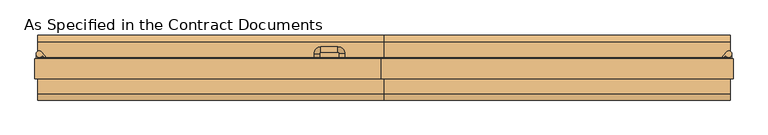
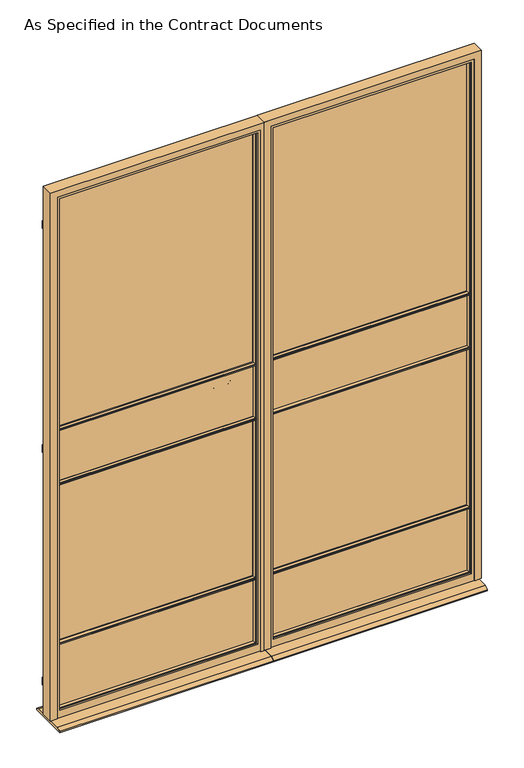
"""IFC4 building model written with IfcOpenShell, lengths in millimetres: door geometry, As Specified in the Contract Documents."""

from ifc_helpers import new_model, si_unit, point, frame, frame_2d, origin, place, context, project, spatial, polyline, circle_curve, ellipse_curve, trimmed, segment, composite_curve, outline, extrude, faceted_brep, source, transform, mapped, element, save
from ifc_brep_helpers import plane_surface, cylinder_surface, revolved_surface, advanced_brep


def as_specified_in_the_contract_documents_73c957d0(model_context):
    return source(origin(), model_context, "Body", "SolidModel", [
        extrude(outline(composite_curve([segment(trimmed(circle_curve(frame_2d((747.5094297, 43.9744777)), 6.35), [point((753.8594297, 43.9744777))], [point((741.1594297, 43.9744777))], False, "CARTESIAN"), True, "CONTINUOUS"), segment(trimmed(circle_curve(frame_2d((747.5094297, 43.9744777)), 6.35), [point((741.1594297, 43.9744777))], [point((753.8594297, 43.9744777))], False, "CARTESIAN"), True, "CONTINUOUS")], self_intersect=False)), frame((0.0, 0.0, 1974.4305689), z_axis=(0.0, 0.0, 1.0), x_axis=(1.0, 0.0, 0.0)), (0.0, 0.0, 1.0), 1.6100561),
        extrude(outline(composite_curve([segment(polyline([(754.917399, 32.5375), (751.742399, 32.5375), (751.742399, 37.8950057)]), True, "CONTINUOUS"), segment(trimmed(circle_curve(frame_2d((747.5094297, 43.9744777)), 7.4079693), [point((751.742399, 37.8950057))], [point((754.917399, 43.9744777))], False, "CARTESIAN"), True, "CONTINUOUS"), segment(polyline([(754.917399, 43.9744777), (754.917399, 32.5375)]), True, "CONTINUOUS")], self_intersect=False)), frame((0.0, 0.0, 1962.9211939), z_axis=(0.0, 0.0, 1.0), x_axis=(1.0, 0.0, 0.0)), (0.0, 0.0, 1.0), 11.509375),
        extrude(outline(composite_curve([segment(polyline([(731.2867368, 35.7125), (741.7523563, 48.6364639)]), True, "CONTINUOUS"), segment(trimmed(circle_curve(frame_2d((747.5094297, 43.9744777)), 7.4079693), [point((741.7523563, 48.6364639))], [point((740.3938591, 41.9137345))], False, "CARTESIAN"), True, "CONTINUOUS"), segment(polyline([(740.3938591, 41.9137345), (735.3721984, 35.7125), (731.2867368, 35.7125)]), True, "CONTINUOUS")], self_intersect=False)), frame((0.0, 0.0, 1976.040625), z_axis=(0.0, 0.0, 1.0), x_axis=(1.0, 0.0, 0.0)), (0.0, 0.0, 1.0), 11.509375),
        extrude(outline(composite_curve([segment(trimmed(circle_curve(frame_2d((747.5094297, 43.9744777)), 6.35), [point((753.8594297, 43.9744777))], [point((741.1594297, 43.9744777))], False, "CARTESIAN"), True, "CONTINUOUS"), segment(trimmed(circle_curve(frame_2d((747.5094297, 43.9744777)), 6.35), [point((741.1594297, 43.9744777))], [point((753.8594297, 43.9744777))], False, "CARTESIAN"), True, "CONTINUOUS")], self_intersect=False)), frame((0.0, 0.0, 1074.7375), z_axis=(0.0, 0.0, 1.0), x_axis=(1.0, 0.0, 0.0)), (0.0, 0.0, 1.0), 1.6100561),
        extrude(outline(composite_curve([segment(polyline([(754.917399, 32.5375), (751.742399, 32.5375), (751.742399, 37.8950057)]), True, "CONTINUOUS"), segment(trimmed(circle_curve(frame_2d((747.5094297, 43.9744777)), 7.4079693), [point((751.742399, 37.8950057))], [point((754.917399, 43.9744777))], False, "CARTESIAN"), True, "CONTINUOUS"), segment(polyline([(754.917399, 43.9744777), (754.917399, 32.5375)]), True, "CONTINUOUS")], self_intersect=False)), frame((0.0, 0.0, 1063.228125), z_axis=(0.0, 0.0, 1.0), x_axis=(1.0, 0.0, 0.0)), (0.0, 0.0, 1.0), 11.509375),
        extrude(outline(composite_curve([segment(polyline([(731.2867368, 35.7125), (741.7523563, 48.6364639)]), True, "CONTINUOUS"), segment(trimmed(circle_curve(frame_2d((747.5094297, 43.9744777)), 7.4079693), [point((741.7523563, 48.6364639))], [point((740.3938591, 41.9137345))], False, "CARTESIAN"), True, "CONTINUOUS"), segment(polyline([(740.3938591, 41.9137345), (735.3721984, 35.7125), (731.2867368, 35.7125)]), True, "CONTINUOUS")], self_intersect=False)), frame((0.0, 0.0, 1076.3475561), z_axis=(0.0, 0.0, 1.0), x_axis=(1.0, 0.0, 0.0)), (0.0, 0.0, 1.0), 11.509375),
        extrude(outline(composite_curve([segment(trimmed(circle_curve(frame_2d((747.5094297, 43.9744777)), 6.35), [point((753.8594297, 43.9744777))], [point((741.1594297, 43.9744777))], False, "CARTESIAN"), True, "CONTINUOUS"), segment(trimmed(circle_curve(frame_2d((747.5094297, 43.9744777)), 6.35), [point((741.1594297, 43.9744777))], [point((753.8594297, 43.9744777))], False, "CARTESIAN"), True, "CONTINUOUS")], self_intersect=False)), frame((0.0, 0.0, 139.2805689), z_axis=(0.0, 0.0, 1.0), x_axis=(1.0, 0.0, 0.0)), (0.0, 0.0, 1.0), 1.6100561),
        extrude(outline(composite_curve([segment(polyline([(754.917399, 32.5375), (751.742399, 32.5375), (751.742399, 37.8950057)]), True, "CONTINUOUS"), segment(trimmed(circle_curve(frame_2d((747.5094297, 43.9744777)), 7.4079693), [point((751.742399, 37.8950057))], [point((754.917399, 43.9744777))], False, "CARTESIAN"), True, "CONTINUOUS"), segment(polyline([(754.917399, 43.9744777), (754.917399, 32.5375)]), True, "CONTINUOUS")], self_intersect=False)), frame((0.0, 0.0, 127.7711939), z_axis=(0.0, 0.0, 1.0), x_axis=(1.0, 0.0, 0.0)), (0.0, 0.0, 1.0), 11.509375),
        extrude(outline(composite_curve([segment(polyline([(731.2867368, 35.7125), (741.7523563, 48.6364639)]), True, "CONTINUOUS"), segment(trimmed(circle_curve(frame_2d((747.5094297, 43.9744777)), 7.4079693), [point((741.7523563, 48.6364639))], [point((740.3938591, 41.9137345))], False, "CARTESIAN"), True, "CONTINUOUS"), segment(polyline([(740.3938591, 41.9137345), (735.3721984, 35.7125), (731.2867368, 35.7125)]), True, "CONTINUOUS")], self_intersect=False)), frame((0.0, 0.0, 140.890625), z_axis=(0.0, 0.0, 1.0), x_axis=(1.0, 0.0, 0.0)), (0.0, 0.0, 1.0), 11.509375),
        extrude(outline(polyline([(-1.920998, 946.5510581), (-1.920998, 948.2061382), (-4.6254064, 948.2061382), (-4.6254064, 952.0313618), (-1.920998, 952.0313618), (-1.920998, 953.6864419), (6.1287049, 957.2625), (19.2587951, 957.2625), (27.308498, 953.6864419), (27.308498, 952.0313618), (30.0129064, 952.0313618), (30.0129064, 948.2061382), (27.308498, 948.2061382), (27.308498, 946.5510581), (19.2587951, 942.975), (6.1287049, 942.975), (-1.920998, 946.5510581)])), frame((-31.3577578, 0.0, 0.0), z_axis=(1.0, 0.0, 0.0), x_axis=(0.0, 1.0, 0.0)), (0.0, 0.0, 1.0), 752.475),
        extrude(outline(polyline([(-1.920998, 1164.0385581), (-1.920998, 1165.6936382), (-4.6254064, 1165.6936382), (-4.6254064, 1169.5188618), (-1.920998, 1169.5188618), (-1.920998, 1171.1739419), (6.1287049, 1174.75), (19.2587951, 1174.75), (27.308498, 1171.1739419), (27.308498, 1169.5188618), (30.0129064, 1169.5188618), (30.0129064, 1165.6936382), (27.308498, 1165.6936382), (27.308498, 1164.0385581), (19.2587951, 1160.4625), (6.1287049, 1160.4625), (-1.920998, 1164.0385581)])), frame((-31.3577578, 0.0, 0.0), z_axis=(1.0, 0.0, 0.0), x_axis=(0.0, 1.0, 0.0)), (0.0, 0.0, 1.0), 752.475),
        extrude(outline(polyline([(-1.920998, 304.6057456), (-1.920998, 306.2608257), (-4.6254064, 306.2608257), (-4.6254064, 310.0860493), (-1.920998, 310.0860493), (-1.920998, 311.7411294), (6.1287049, 315.3171875), (19.2587951, 315.3171875), (27.308498, 311.7411294), (27.308498, 310.0860493), (30.0129064, 310.0860493), (30.0129064, 306.2608257), (27.308498, 306.2608257), (27.308498, 304.6057456), (19.2587951, 301.0296875), (6.1287049, 301.0296875), (-1.920998, 304.6057456)])), frame((-31.3577578, 0.0, 0.0), z_axis=(1.0, 0.0, 0.0), x_axis=(0.0, 1.0, 0.0)), (0.0, 0.0, 1.0), 752.475),
        faceted_brep([(751.2797422, 32.5375, 17.4625), (757.6297422, 32.5375, 17.4625), (757.6297422, -13.5, 17.4625), (732.2297422, -13.5, 17.4625), (732.2297422, -10.325, 17.4625), (751.2797422, -10.325, 17.4625), (751.2797422, 32.5375, 2133.6), (-61.5202578, 32.5375, 2133.6), (-61.5202578, 32.5375, 17.4625), (-67.8702578, 32.5375, 17.4625), (-67.8702578, 32.5375, 2139.95), (757.6297422, 32.5375, 2139.95), (757.6297422, -13.5, 2139.95), (-67.8702578, -13.5, 2139.95), (-67.8702578, -13.5, 17.4625), (-42.4702578, -13.5, 17.4625), (-42.4702578, -13.5, 2114.55), (732.2297422, -13.5, 2114.55), (732.2297422, -10.325, 2114.55), (-42.4702578, -10.325, 2114.55), (-42.4702578, -10.325, 17.4625), (-61.5202578, -10.325, 17.4625), (-61.5202578, -10.325, 2133.6), (751.2797422, -10.325, 2133.6)], [[[0, 1, 2, 3, 4, 5]], [[1, 0, 6, 7, 8, 9, 10, 11]], [[2, 1, 11, 12]], [[3, 2, 12, 13, 14, 15, 16, 17]], [[4, 3, 17, 18]], [[5, 4, 18, 19, 20, 21, 22, 23]], [[0, 5, 23, 6]], [[12, 11, 10, 13]], [[18, 17, 16, 19]], [[6, 23, 22, 7]], [[8, 21, 20, 15, 14, 9]], [[13, 10, 9, 14]], [[19, 16, 15, 20]], [[7, 22, 21, 8]]]),
        extrude(outline(polyline([(721.1172422, 6.34375), (-31.3577578, 6.34375), (-31.3577578, 19.04375), (721.1172422, 19.04375), (721.1172422, 6.34375)])), frame((0.0, 0.0, 47.625), z_axis=(0.0, 0.0, 1.0), x_axis=(1.0, 0.0, 0.0)), (0.0, 0.0, 1.0), 252.4125),
        extrude(outline(polyline([(721.1172422, 6.34375), (-31.3577578, 6.34375), (-31.3577578, 19.04375), (721.1172422, 19.04375), (721.1172422, 6.34375)])), frame((0.0, 0.0, 957.2625), z_axis=(0.0, 0.0, 1.0), x_axis=(1.0, 0.0, 0.0)), (0.0, 0.0, 1.0), 203.2),
        extrude(outline(polyline([(88.89375, 4.826), (88.89375, 0.0), (-63.50625, 0.0), (-63.50625, 4.826), (-48.238334, 12.7), (73.625834, 12.7), (88.89375, 4.826)])), frame((-61.5202578, 0.0, 0.0), z_axis=(1.0, 0.0, 0.0), x_axis=(0.0, 1.0, 0.0)), (0.0, 0.0, 1.0), 812.8),
        extrude(outline(polyline([(751.2797422, 9.51875), (-61.5202578, 9.51875), (-61.5202578, 15.86875), (751.2797422, 15.86875), (751.2797422, 9.51875)])), frame((0.0, 0.0, 17.4625), z_axis=(0.0, 0.0, 1.0), x_axis=(1.0, 0.0, 0.0)), (0.0, 0.0, 1.0), 2116.1375),
        extrude(outline(polyline([(2133.6, -61.5202578), (17.4625, -61.5202578), (17.4625, 751.2797422), (2133.6, 751.2797422), (2133.6, -61.5202578)]), holes=[polyline([(2103.4375, -31.3577578), (2103.4375, 721.1172422), (47.625, 721.1172422), (47.625, -31.3577578), (2103.4375, -31.3577578)])]), frame((0.0, -10.325, 0.0), z_axis=(0.0, 1.0, 0.0), x_axis=(0.0, 0.0, 1.0)), (0.0, 0.0, 1.0), 46.0375),
        faceted_brep([(-29.445146, -1.920998, 2101.5248882), (-29.445146, -4.6254064, 2101.5248882), (-29.445146, -4.6254064, 49.5376118), (-29.445146, -1.920998, 49.5376118), (-24.2140078, 6.1287049, 2096.29375), (-27.7900659, -1.920998, 2099.8698081), (-27.7900659, -1.920998, 51.1926919), (-24.2140078, 6.1287049, 54.76875), (-24.2140078, 19.2587951, 2096.29375), (-24.2140078, 19.2587951, 54.76875), (-27.7900659, 27.308498, 2099.8698081), (-27.7900659, 27.308498, 51.1926919), (-29.445146, 30.0129064, 2101.5248882), (-29.445146, 27.308498, 2101.5248882), (-29.445146, 27.308498, 49.5376118), (-29.445146, 30.0129064, 49.5376118), (-31.3577578, -4.6254064, 2103.4375), (-31.3577578, 30.0129064, 2103.4375), (-31.3577578, 30.0129064, 47.625), (-31.3577578, -4.6254064, 47.625), (719.2046305, -4.6254064, 49.5376118), (719.2046305, -1.920998, 49.5376118), (717.5495504, -1.920998, 51.1926919), (713.9734922, 6.1287049, 54.76875), (713.9734922, 19.2587951, 54.76875), (717.5495504, 27.308498, 51.1926919), (719.2046305, 27.308498, 49.5376118), (719.2046305, 30.0129064, 49.5376118), (721.1172422, 30.0129064, 47.625), (721.1172422, -4.6254064, 47.625), (719.2046305, -4.6254064, 2101.5248882), (719.2046305, -1.920998, 2101.5248882), (717.5495504, -1.920998, 2099.8698081), (713.9734922, 6.1287049, 2096.29375), (713.9734922, 19.2587951, 2096.29375), (717.5495504, 27.308498, 2099.8698081), (719.2046305, 27.308498, 2101.5248882), (719.2046305, 30.0129064, 2101.5248882), (721.1172422, 30.0129064, 2103.4375), (721.1172422, -4.6254064, 2103.4375)], [[[0, 1, 2, 3]], [[4, 5, 6, 7]], [[8, 4, 7, 9]], [[10, 8, 9, 11]], [[12, 13, 14, 15]], [[16, 17, 18, 19]], [[3, 2, 20, 21]], [[7, 6, 22, 23]], [[9, 7, 23, 24]], [[11, 9, 24, 25]], [[15, 14, 26, 27]], [[19, 18, 28, 29]], [[21, 20, 30, 31]], [[23, 22, 32, 33]], [[24, 23, 33, 34]], [[25, 24, 34, 35]], [[27, 26, 36, 37]], [[29, 28, 38, 39]], [[31, 30, 1, 0]], [[3, 21, 31, 0], [5, 32, 22, 6]], [[33, 32, 5, 4]], [[34, 33, 4, 8]], [[35, 34, 8, 10]], [[13, 36, 26, 14], [11, 25, 35, 10]], [[37, 36, 13, 12]], [[17, 38, 28, 18], [15, 27, 37, 12]], [[39, 38, 17, 16]], [[19, 29, 39, 16], [1, 30, 20, 2]]]),
        extrude(outline(composite_curve([segment(trimmed(circle_curve(frame_2d((-870.5499453, 43.9744777)), 6.35), [point((-876.8999453, 43.9744777))], [point((-864.1999453, 43.9744777))], False, "CARTESIAN"), True, "CONTINUOUS"), segment(trimmed(circle_curve(frame_2d((-870.5499453, 43.9744777)), 6.35), [point((-864.1999453, 43.9744777))], [point((-876.8999453, 43.9744777))], False, "CARTESIAN"), True, "CONTINUOUS")], self_intersect=False)), frame((0.0, 0.0, 1974.4305689), z_axis=(0.0, 0.0, 1.0), x_axis=(1.0, 0.0, 0.0)), (0.0, 0.0, 1.0), 1.6100561),
        extrude(outline(composite_curve([segment(polyline([(-877.9579145, 32.5375), (-877.9579145, 43.9744777)]), True, "CONTINUOUS"), segment(trimmed(circle_curve(frame_2d((-870.5499453, 43.9744777)), 7.4079693), [point((-877.9579145, 43.9744777))], [point((-874.7829145, 37.8950057))], False, "CARTESIAN"), True, "CONTINUOUS"), segment(polyline([(-874.7829145, 37.8950057), (-874.7829145, 32.5375), (-877.9579145, 32.5375)]), True, "CONTINUOUS")], self_intersect=False)), frame((0.0, 0.0, 1962.9211939), z_axis=(0.0, 0.0, 1.0), x_axis=(1.0, 0.0, 0.0)), (0.0, 0.0, 1.0), 11.509375),
        extrude(outline(composite_curve([segment(polyline([(-854.3272523, 35.7125), (-858.4127139, 35.7125), (-863.4343746, 41.9137345)]), True, "CONTINUOUS"), segment(trimmed(circle_curve(frame_2d((-870.5499453, 43.9744777)), 7.4079693), [point((-863.4343746, 41.9137345))], [point((-864.7928719, 48.6364639))], False, "CARTESIAN"), True, "CONTINUOUS"), segment(polyline([(-864.7928719, 48.6364639), (-854.3272523, 35.7125)]), True, "CONTINUOUS")], self_intersect=False)), frame((0.0, 0.0, 1976.040625), z_axis=(0.0, 0.0, 1.0), x_axis=(1.0, 0.0, 0.0)), (0.0, 0.0, 1.0), 11.509375),
        extrude(outline(composite_curve([segment(trimmed(circle_curve(frame_2d((-870.5499453, 43.9744777)), 6.35), [point((-876.8999453, 43.9744777))], [point((-864.1999453, 43.9744777))], False, "CARTESIAN"), True, "CONTINUOUS"), segment(trimmed(circle_curve(frame_2d((-870.5499453, 43.9744777)), 6.35), [point((-864.1999453, 43.9744777))], [point((-876.8999453, 43.9744777))], False, "CARTESIAN"), True, "CONTINUOUS")], self_intersect=False)), frame((0.0, 0.0, 1074.7375), z_axis=(0.0, 0.0, 1.0), x_axis=(1.0, 0.0, 0.0)), (0.0, 0.0, 1.0), 1.6100561),
        extrude(outline(composite_curve([segment(polyline([(-877.9579145, 32.5375), (-877.9579145, 43.9744777)]), True, "CONTINUOUS"), segment(trimmed(circle_curve(frame_2d((-870.5499453, 43.9744777)), 7.4079693), [point((-877.9579145, 43.9744777))], [point((-874.7829145, 37.8950057))], False, "CARTESIAN"), True, "CONTINUOUS"), segment(polyline([(-874.7829145, 37.8950057), (-874.7829145, 32.5375), (-877.9579145, 32.5375)]), True, "CONTINUOUS")], self_intersect=False)), frame((0.0, 0.0, 1063.228125), z_axis=(0.0, 0.0, 1.0), x_axis=(1.0, 0.0, 0.0)), (0.0, 0.0, 1.0), 11.509375),
        extrude(outline(composite_curve([segment(polyline([(-854.3272523, 35.7125), (-858.4127139, 35.7125), (-863.4343746, 41.9137345)]), True, "CONTINUOUS"), segment(trimmed(circle_curve(frame_2d((-870.5499453, 43.9744777)), 7.4079693), [point((-863.4343746, 41.9137345))], [point((-864.7928719, 48.6364639))], False, "CARTESIAN"), True, "CONTINUOUS"), segment(polyline([(-864.7928719, 48.6364639), (-854.3272523, 35.7125)]), True, "CONTINUOUS")], self_intersect=False)), frame((0.0, 0.0, 1076.3475561), z_axis=(0.0, 0.0, 1.0), x_axis=(1.0, 0.0, 0.0)), (0.0, 0.0, 1.0), 11.509375),
        extrude(outline(composite_curve([segment(trimmed(circle_curve(frame_2d((-870.5499453, 43.9744777)), 6.35), [point((-876.8999453, 43.9744777))], [point((-864.1999453, 43.9744777))], False, "CARTESIAN"), True, "CONTINUOUS"), segment(trimmed(circle_curve(frame_2d((-870.5499453, 43.9744777)), 6.35), [point((-864.1999453, 43.9744777))], [point((-876.8999453, 43.9744777))], False, "CARTESIAN"), True, "CONTINUOUS")], self_intersect=False)), frame((0.0, 0.0, 139.2805689), z_axis=(0.0, 0.0, 1.0), x_axis=(1.0, 0.0, 0.0)), (0.0, 0.0, 1.0), 1.6100561),
        extrude(outline(composite_curve([segment(polyline([(-877.9579145, 32.5375), (-877.9579145, 43.9744777)]), True, "CONTINUOUS"), segment(trimmed(circle_curve(frame_2d((-870.5499453, 43.9744777)), 7.4079693), [point((-877.9579145, 43.9744777))], [point((-874.7829145, 37.8950057))], False, "CARTESIAN"), True, "CONTINUOUS"), segment(polyline([(-874.7829145, 37.8950057), (-874.7829145, 32.5375), (-877.9579145, 32.5375)]), True, "CONTINUOUS")], self_intersect=False)), frame((0.0, 0.0, 127.7711939), z_axis=(0.0, 0.0, 1.0), x_axis=(1.0, 0.0, 0.0)), (0.0, 0.0, 1.0), 11.509375),
        extrude(outline(composite_curve([segment(polyline([(-854.3272523, 35.7125), (-858.4127139, 35.7125), (-863.4343746, 41.9137345)]), True, "CONTINUOUS"), segment(trimmed(circle_curve(frame_2d((-870.5499453, 43.9744777)), 7.4079693), [point((-863.4343746, 41.9137345))], [point((-864.7928719, 48.6364639))], False, "CARTESIAN"), True, "CONTINUOUS"), segment(polyline([(-864.7928719, 48.6364639), (-854.3272523, 35.7125)]), True, "CONTINUOUS")], self_intersect=False)), frame((0.0, 0.0, 140.890625), z_axis=(0.0, 0.0, 1.0), x_axis=(1.0, 0.0, 0.0)), (0.0, 0.0, 1.0), 11.509375),
        advanced_brep(
        [(-153.8492578, 25.39375, 1089.025), (-166.0412578, 25.39375, 1089.025), (-166.0412578, 45.1961051, 1089.025), (-153.8492578, 45.1961051, 1089.025), (-169.4702578, 48.6251051, 1089.025), (-169.4702578, 60.8171051, 1089.025), (-209.4270616, 48.6251051, 1089.025), (-209.4270616, 60.8171051, 1089.025), (-212.8560616, 45.1961051, 1089.025), (-225.0480616, 45.1961051, 1089.025), (-225.0480616, 29.4584167, 1089.025), (-212.8560616, 29.4584167, 1089.025)],
        [
            (0, 1, circle_curve(frame((-159.9452578, 25.39375, 1089.025), z_axis=(0.0, -1.0, 0.0), x_axis=(-1.0, 0.0, 0.0)), 6.096)),
            (1, 0, circle_curve(frame((-159.9452578, 25.39375, 1089.025), z_axis=(0.0, -1.0, 0.0), x_axis=(-1.0, 0.0, 0.0)), 6.096)),
            (1, 2),
            (2, 3, circle_curve(frame((-159.9452578, 45.1961051, 1089.025), z_axis=(0.0, -1.0, 0.0), x_axis=(-1.0, 0.0, 0.0)), 6.096)),
            (3, 0),
            (3, 2, circle_curve(frame((-159.9452578, 45.1961051, 1089.025), z_axis=(0.0, -1.0, 0.0), x_axis=(-1.0, 0.0, 0.0)), 6.096)),
            (4, 5, circle_curve(frame((-169.4702578, 54.7211051, 1089.025), z_axis=(1.0, 0.0, 0.0), x_axis=(0.0, -1.0, 0.0)), 6.096)),
            (5, 3, circle_curve(frame((-169.4702578, 45.1961051, 1089.025), z_axis=(0.0, 0.0, -1.0), x_axis=(1.0, 0.0, 0.0)), 15.621)),
            (2, 4, circle_curve(frame((-169.4702578, 45.1961051, 1089.025), z_axis=(0.0, 0.0, 1.0), x_axis=(1.0, 0.0, 0.0)), 3.429)),
            (5, 4, circle_curve(frame((-169.4702578, 54.7211051, 1089.025), z_axis=(1.0, 0.0, 0.0), x_axis=(0.0, -1.0, 0.0)), 6.096)),
            (4, 6),
            (6, 7, circle_curve(frame((-209.4270616, 54.7211051, 1089.025), z_axis=(1.0, 0.0, 0.0), x_axis=(0.0, -1.0, 0.0)), 6.096)),
            (7, 5),
            (7, 6, circle_curve(frame((-209.4270616, 54.7211051, 1089.025), z_axis=(1.0, 0.0, 0.0), x_axis=(0.0, -1.0, 0.0)), 6.096)),
            (8, 9, circle_curve(frame((-218.9520616, 45.1961051, 1089.025), z_axis=(0.0, 1.0, 0.0), x_axis=(1.0, 0.0, 0.0)), 6.096)),
            (9, 7, circle_curve(frame((-209.4270616, 45.1961051, 1089.025), z_axis=(0.0, 0.0, -1.0), x_axis=(0.0, 1.0, 0.0)), 15.621)),
            (6, 8, circle_curve(frame((-209.4270616, 45.1961051, 1089.025), z_axis=(0.0, 0.0, 1.0), x_axis=(0.0, 1.0, 0.0)), 3.429)),
            (9, 8, circle_curve(frame((-218.9520616, 45.1961051, 1089.025), z_axis=(0.0, 1.0, 0.0), x_axis=(1.0, 0.0, 0.0)), 6.096)),
            (10, 11, circle_curve(frame((-218.9520616, 29.4584167, 1089.025), z_axis=(0.0, -1.0, 0.0), x_axis=(1.0, 0.0, 0.0)), 6.096)),
            (11, 10, circle_curve(frame((-218.9520616, 29.4584167, 1089.025), z_axis=(0.0, -1.0, 0.0), x_axis=(1.0, 0.0, 0.0)), 6.096)),
            (8, 11),
            (10, 9),
        ],
        [
            plane_surface(frame((-159.9452578, 25.39375, 1089.025), z_axis=(0.0, -1.0, 0.0), x_axis=(0.0, 0.0, -1.0))),
            cylinder_surface(frame((-159.9452578, 25.39375, 1089.025), z_axis=(0.0, -1.0, 0.0), x_axis=(-1.0, 0.0, 0.0)), 6.096),
            revolved_surface(trimmed(ellipse_curve(frame((-159.9452578, 45.1961051, 1089.025), z_axis=(0.0, 1.0, 0.0), x_axis=(-1.0, 0.0, 0.0)), 6.096, 6.096), [point((-153.8492578, 45.1961051, 1089.025))], [point((-166.0412578, 45.1961051, 1089.025))], True, "CARTESIAN"), (-169.4702578, 45.1961051, 1089.025), (0.0, 0.0, -1.0)),
            revolved_surface(trimmed(ellipse_curve(frame((-159.9452578, 45.1961051, 1089.025), z_axis=(0.0, 1.0, 0.0), x_axis=(-1.0, 0.0, 0.0)), 6.096, 6.096), [point((-166.0412578, 45.1961051, 1089.025))], [point((-153.8492578, 45.1961051, 1089.025))], True, "CARTESIAN"), (-169.4702578, 45.1961051, 1089.025), (0.0, 0.0, -1.0)),
            cylinder_surface(frame((-169.4702578, 54.7211051, 1089.025), z_axis=(1.0, 0.0, 0.0), x_axis=(0.0, -1.0, 0.0)), 6.096),
            revolved_surface(trimmed(ellipse_curve(frame((-209.4270616, 54.7211051, 1089.025), z_axis=(-1.0, 0.0, 0.0), x_axis=(0.0, -1.0, 0.0)), 6.096, 6.096), [point((-209.4270616, 60.8171051, 1089.025))], [point((-209.4270616, 48.6251051, 1089.025))], True, "CARTESIAN"), (-209.4270616, 45.1961051, 1089.025), (0.0, 0.0, -1.0)),
            revolved_surface(trimmed(ellipse_curve(frame((-209.4270616, 54.7211051, 1089.025), z_axis=(-1.0, 0.0, 0.0), x_axis=(0.0, -1.0, 0.0)), 6.096, 6.096), [point((-209.4270616, 48.6251051, 1089.025))], [point((-209.4270616, 60.8171051, 1089.025))], True, "CARTESIAN"), (-209.4270616, 45.1961051, 1089.025), (0.0, 0.0, -1.0)),
            plane_surface(frame((-218.9520616, 29.4584167, 1089.025), z_axis=(0.0, -1.0, 0.0), x_axis=(0.0, 0.0, -1.0))),
            cylinder_surface(frame((-218.9520616, 45.1961051, 1089.025), z_axis=(0.0, 1.0, 0.0), x_axis=(1.0, 0.0, 0.0)), 6.096),
        ],
        [
            (0, [[1, 2]]),
            (1, [[3, 4, 5, -2]]),
            (1, [[-5, 6, -3, -1]]),
            (2, [[7, 8, -4, 9]]),
            (3, [[10, -9, -6, -8]]),
            (4, [[11, 12, 13, -7]]),
            (4, [[-13, 14, -11, -10]]),
            (5, [[15, 16, -12, 17]]),
            (6, [[18, -17, -14, -16]]),
            (7, [[19, 20]]),
            (8, [[21, -19, 22, -15]]),
            (8, [[-22, -20, -21, -18]]),
        ],
    ),
        extrude(outline(composite_curve([segment(trimmed(circle_curve(frame_2d((1089.025, -159.9452578)), 25.4), [point((1089.025, -185.3452578))], [point((1089.025, -134.5452578))], False, "CARTESIAN"), True, "CONTINUOUS"), segment(trimmed(circle_curve(frame_2d((1089.025, -159.9452578)), 25.4), [point((1089.025, -134.5452578))], [point((1089.025, -185.3452578))], False, "CARTESIAN"), True, "CONTINUOUS")], self_intersect=False)), frame((0.0, 19.04375, 0.0), z_axis=(0.0, 1.0, 0.0), x_axis=(0.0, 0.0, 1.0)), (0.0, 0.0, 1.0), 6.35),
        extrude(outline(composite_curve([segment(trimmed(circle_curve(frame_2d((1021.6417023, -159.9452578)), 19.05), [point((1021.6417023, -178.9952578))], [point((1021.6417023, -140.8952578))], False, "CARTESIAN"), True, "CONTINUOUS"), segment(trimmed(circle_curve(frame_2d((1021.6417023, -159.9452578)), 19.05), [point((1021.6417023, -140.8952578))], [point((1021.6417023, -178.9952578))], False, "CARTESIAN"), True, "CONTINUOUS")], self_intersect=False)), frame((0.0, 19.04375, 0.0), z_axis=(0.0, 1.0, 0.0), x_axis=(0.0, 0.0, 1.0)), (0.0, 0.0, 1.0), 6.35),
        extrude(outline(polyline([(-1.920998, 946.5510581), (-1.920998, 948.2061382), (-4.6254064, 948.2061382), (-4.6254064, 952.0313618), (-1.920998, 952.0313618), (-1.920998, 953.6864419), (6.1287049, 957.2625), (19.2587951, 957.2625), (27.308498, 953.6864419), (27.308498, 952.0313618), (30.0129064, 952.0313618), (30.0129064, 948.2061382), (27.308498, 948.2061382), (27.308498, 946.5510581), (19.2587951, 942.975), (6.1287049, 942.975), (-1.920998, 946.5510581)])), frame((-844.1577578, 0.0, 0.0), z_axis=(1.0, 0.0, 0.0), x_axis=(0.0, 1.0, 0.0)), (0.0, 0.0, 1.0), 752.475),
        extrude(outline(polyline([(-1.920998, 1164.0385581), (-1.920998, 1165.6936382), (-4.6254064, 1165.6936382), (-4.6254064, 1169.5188618), (-1.920998, 1169.5188618), (-1.920998, 1171.1739419), (6.1287049, 1174.75), (19.2587951, 1174.75), (27.308498, 1171.1739419), (27.308498, 1169.5188618), (30.0129064, 1169.5188618), (30.0129064, 1165.6936382), (27.308498, 1165.6936382), (27.308498, 1164.0385581), (19.2587951, 1160.4625), (6.1287049, 1160.4625), (-1.920998, 1164.0385581)])), frame((-844.1577578, 0.0, 0.0), z_axis=(1.0, 0.0, 0.0), x_axis=(0.0, 1.0, 0.0)), (0.0, 0.0, 1.0), 752.475),
        extrude(outline(polyline([(-1.920998, 304.6057456), (-1.920998, 306.2608257), (-4.6254064, 306.2608257), (-4.6254064, 310.0860493), (-1.920998, 310.0860493), (-1.920998, 311.7411294), (6.1287049, 315.3171875), (19.2587951, 315.3171875), (27.308498, 311.7411294), (27.308498, 310.0860493), (30.0129064, 310.0860493), (30.0129064, 306.2608257), (27.308498, 306.2608257), (27.308498, 304.6057456), (19.2587951, 301.0296875), (6.1287049, 301.0296875), (-1.920998, 304.6057456)])), frame((-844.1577578, 0.0, 0.0), z_axis=(1.0, 0.0, 0.0), x_axis=(0.0, 1.0, 0.0)), (0.0, 0.0, 1.0), 752.475),
        faceted_brep([(-874.3202578, 32.5375, 17.4625), (-874.3202578, -10.325, 17.4625), (-855.2702578, -10.325, 17.4625), (-855.2702578, -13.5, 17.4625), (-880.6702578, -13.5, 17.4625), (-880.6702578, 32.5375, 17.4625), (-880.6702578, 32.5375, 2139.95), (-55.1702578, 32.5375, 2139.95), (-55.1702578, 32.5375, 17.4625), (-61.5202578, 32.5375, 17.4625), (-61.5202578, 32.5375, 2133.6), (-874.3202578, 32.5375, 2133.6), (-880.6702578, -13.5, 2139.95), (-855.2702578, -13.5, 2114.55), (-80.5702578, -13.5, 2114.55), (-80.5702578, -13.5, 17.4625), (-55.1702578, -13.5, 17.4625), (-55.1702578, -13.5, 2139.95), (-855.2702578, -10.325, 2114.55), (-874.3202578, -10.325, 2133.6), (-61.5202578, -10.325, 2133.6), (-61.5202578, -10.325, 17.4625), (-80.5702578, -10.325, 17.4625), (-80.5702578, -10.325, 2114.55)], [[[0, 1, 2, 3, 4, 5]], [[5, 6, 7, 8, 9, 10, 11, 0]], [[4, 12, 6, 5]], [[3, 13, 14, 15, 16, 17, 12, 4]], [[2, 18, 13, 3]], [[1, 19, 20, 21, 22, 23, 18, 2]], [[0, 11, 19, 1]], [[12, 17, 7, 6]], [[18, 23, 14, 13]], [[11, 10, 20, 19]], [[9, 8, 16, 15, 22, 21]], [[17, 16, 8, 7]], [[23, 22, 15, 14]], [[10, 9, 21, 20]]]),
        extrude(outline(polyline([(-844.1577578, 6.34375), (-844.1577578, 19.04375), (-91.6827578, 19.04375), (-91.6827578, 6.34375), (-844.1577578, 6.34375)])), frame((0.0, 0.0, 47.625), z_axis=(0.0, 0.0, 1.0), x_axis=(1.0, 0.0, 0.0)), (0.0, 0.0, 1.0), 252.4125),
        extrude(outline(polyline([(-844.1577578, 6.34375), (-844.1577578, 19.04375), (-91.6827578, 19.04375), (-91.6827578, 6.34375), (-844.1577578, 6.34375)])), frame((0.0, 0.0, 957.2625), z_axis=(0.0, 0.0, 1.0), x_axis=(1.0, 0.0, 0.0)), (0.0, 0.0, 1.0), 203.2),
        extrude(outline(polyline([(88.89375, 4.826), (88.89375, 0.0), (-63.50625, 0.0), (-63.50625, 4.826), (-48.238334, 12.7), (73.625834, 12.7), (88.89375, 4.826)])), frame((-874.3202578, 0.0, 0.0), z_axis=(1.0, 0.0, 0.0), x_axis=(0.0, 1.0, 0.0)), (0.0, 0.0, 1.0), 812.8),
        extrude(outline(polyline([(-874.3202578, 9.51875), (-874.3202578, 15.86875), (-61.5202578, 15.86875), (-61.5202578, 9.51875), (-874.3202578, 9.51875)])), frame((0.0, 0.0, 17.4625), z_axis=(0.0, 0.0, 1.0), x_axis=(1.0, 0.0, 0.0)), (0.0, 0.0, 1.0), 2116.1375),
        extrude(outline(polyline([(2133.6, -61.5202578), (2133.6, -874.3202578), (17.4625, -874.3202578), (17.4625, -61.5202578), (2133.6, -61.5202578)]), holes=[polyline([(2103.4375, -91.6827578), (47.625, -91.6827578), (47.625, -844.1577578), (2103.4375, -844.1577578), (2103.4375, -91.6827578)])]), frame((0.0, -10.325, 0.0), z_axis=(0.0, 1.0, 0.0), x_axis=(0.0, 0.0, 1.0)), (0.0, 0.0, 1.0), 46.0375),
        faceted_brep([(-93.5953695, -1.920998, 2101.5248882), (-93.5953695, -1.920998, 49.5376118), (-93.5953695, -4.6254064, 49.5376118), (-93.5953695, -4.6254064, 2101.5248882), (-98.8265078, 6.1287049, 2096.29375), (-98.8265078, 6.1287049, 54.76875), (-95.2504496, -1.920998, 51.1926919), (-95.2504496, -1.920998, 2099.8698081), (-98.8265078, 19.2587951, 2096.29375), (-98.8265078, 19.2587951, 54.76875), (-95.2504496, 27.308498, 2099.8698081), (-95.2504496, 27.308498, 51.1926919), (-93.5953695, 30.0129064, 2101.5248882), (-93.5953695, 30.0129064, 49.5376118), (-93.5953695, 27.308498, 49.5376118), (-93.5953695, 27.308498, 2101.5248882), (-91.6827578, -4.6254064, 2103.4375), (-91.6827578, -4.6254064, 47.625), (-91.6827578, 30.0129064, 47.625), (-91.6827578, 30.0129064, 2103.4375), (-842.245146, -1.920998, 49.5376118), (-842.245146, -4.6254064, 49.5376118), (-837.0140078, 6.1287049, 54.76875), (-840.5900659, -1.920998, 51.1926919), (-837.0140078, 19.2587951, 54.76875), (-840.5900659, 27.308498, 51.1926919), (-842.245146, 30.0129064, 49.5376118), (-842.245146, 27.308498, 49.5376118), (-844.1577578, -4.6254064, 47.625), (-844.1577578, 30.0129064, 47.625), (-842.245146, -1.920998, 2101.5248882), (-842.245146, -4.6254064, 2101.5248882), (-837.0140078, 6.1287049, 2096.29375), (-840.5900659, -1.920998, 2099.8698081), (-837.0140078, 19.2587951, 2096.29375), (-840.5900659, 27.308498, 2099.8698081), (-842.245146, 30.0129064, 2101.5248882), (-842.245146, 27.308498, 2101.5248882), (-844.1577578, -4.6254064, 2103.4375), (-844.1577578, 30.0129064, 2103.4375)], [[[0, 1, 2, 3]], [[4, 5, 6, 7]], [[8, 9, 5, 4]], [[10, 11, 9, 8]], [[12, 13, 14, 15]], [[16, 17, 18, 19]], [[1, 20, 21, 2]], [[5, 22, 23, 6]], [[9, 24, 22, 5]], [[11, 25, 24, 9]], [[13, 26, 27, 14]], [[17, 28, 29, 18]], [[20, 30, 31, 21]], [[22, 32, 33, 23]], [[24, 34, 32, 22]], [[25, 35, 34, 24]], [[26, 36, 37, 27]], [[28, 38, 39, 29]], [[30, 0, 3, 31]], [[1, 0, 30, 20], [7, 6, 23, 33]], [[32, 4, 7, 33]], [[34, 8, 4, 32]], [[35, 10, 8, 34]], [[15, 14, 27, 37], [11, 10, 35, 25]], [[36, 12, 15, 37]], [[19, 18, 29, 39], [13, 12, 36, 26]], [[38, 16, 19, 39]], [[17, 16, 38, 28], [3, 2, 21, 31]]]),
    ])


if __name__ == "__main__":
    model = new_model("IFC4")
    model_context = context("Model", 3, world=origin())
    ifc_project = project(units=[si_unit("LENGTHUNIT", "METRE", prefix="MILLI")], contexts=[model_context])
    site = spatial("IfcSite", under=ifc_project)
    building = spatial("IfcBuilding", under=site)
    placement = place(None, origin())
    as_specified_in_the_contract_documents_shape = as_specified_in_the_contract_documents_73c957d0(model_context)
    element("IfcDoor", 1, ObjectType="As Specified in the Contract Documents", at=placement, inside=building, context=model_context, shape_type="MappedRepresentation", body=[
        mapped(as_specified_in_the_contract_documents_shape, transform((0.0, 0.0, 0.0), x_axis=(1.0, 0.0, 0.0), y_axis=(0.0, 1.0, 0.0), z_axis=(0.0, 0.0, 1.0))),
    ])
    save(model, "model.ifc")
